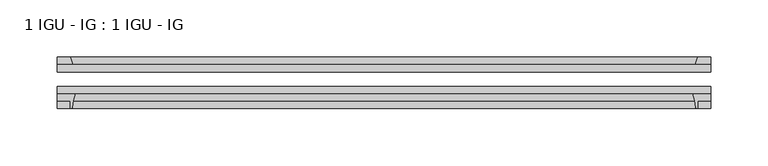
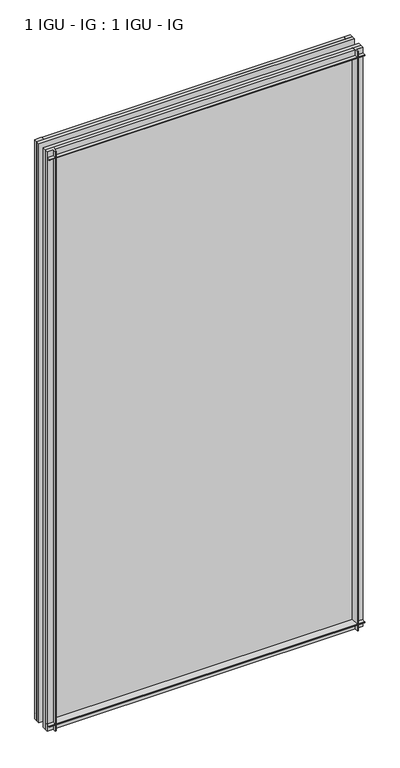
"""IFC4 building model written with IfcOpenShell, lengths in millimetres: plate geometry, 1 IGU - IG : 1 IGU - IG."""

import ifcopenshell
import ifcopenshell.guid

model = None  # the IFC model being written
_history = None  # IfcOwnerHistory: only IFC2X3 demands one
_inside = {}  # id of a spatial element -> (the spatial element, [elements in it])
_under = {}  # id of a project, library or spatial element -> (it, [spatial elements below it])
_declared = {}  # id of a project -> (the project, [libraries it declares])
_typed = {}  # id of a type object -> (the type object, [elements of that type])
_made_of = {}  # id of a material, layer set ... -> (it, [elements and type objects made of it])


def new_model(schema):
    """Start an empty IFC model of exactly this schema.

    Asked for "IFC4X3", IfcOpenShell would pick the latest addendum, in which some entities
    have other attributes; the version numbers below select the first issue.
    IFC2X3 requires an IfcOwnerHistory on every rooted entity: one is made here for all.
    """
    global model, _history
    if schema == "IFC4X3":
        model = ifcopenshell.file(schema_version=(4, 3, 0, 0))
    else:
        model = ifcopenshell.file(schema=schema)
    _inside.clear()
    _under.clear()
    _declared.clear()
    _typed.clear()
    _made_of.clear()
    _history = None
    if model.schema == "IFC2X3":
        org = make("IfcOrganization", Name="unknown")
        user = make(
            "IfcPersonAndOrganization",
            ThePerson=make("IfcPerson", FamilyName="unknown"),
            TheOrganization=org,
        )
        app = make(
            "IfcApplication",
            ApplicationDeveloper=org,
            Version="unknown",
            ApplicationFullName="unknown",
            ApplicationIdentifier="unknown",
        )
        _history = make(
            "IfcOwnerHistory",
            OwningUser=user,
            OwningApplication=app,
            ChangeAction="ADDED",
            CreationDate=0,
        )
    return model


def make(cls, **values):
    """One entity of the class cls with the attributes given. An attribute that is None is left unset."""
    return model.create_entity(
        cls, **{name: value for name, value in values.items() if value is not None}
    )


def rooted(cls, **values):
    """An entity with a GlobalId (a new one), such as an element, a storey or a relation."""
    return make(cls, GlobalId=ifcopenshell.guid.new(), OwnerHistory=_history, **values)


def si_unit(unit_type, name, prefix=None):
    """IfcSIUnit, for example si_unit("LENGTHUNIT", "METRE", prefix="MILLI")."""
    return make("IfcSIUnit", UnitType=unit_type, Prefix=prefix, Name=name)


def assignment(units):
    """IfcUnitAssignment: the units of a project."""
    return None if units is None else make("IfcUnitAssignment", Units=units)


def point(xyz):
    """IfcCartesianPoint."""
    return None if xyz is None else make("IfcCartesianPoint", Coordinates=xyz)


def direction(xyz):
    """IfcDirection."""
    return None if xyz is None else make("IfcDirection", DirectionRatios=xyz)


def frame(location, z_axis=None, x_axis=None):
    """IfcAxis2Placement3D, a coordinate frame: its origin and axes. An axis left out is left unset."""
    return make(
        "IfcAxis2Placement3D",
        Location=point(location),
        Axis=direction(z_axis),
        RefDirection=direction(x_axis),
    )


def frame_2d(location, x_axis=None):
    """IfcAxis2Placement2D, a coordinate frame in the plane: its origin and x axis."""
    return make(
        "IfcAxis2Placement2D", Location=point(location), RefDirection=direction(x_axis)
    )


def origin():
    """The frame at (0, 0, 0) with its axes left unset."""
    return frame((0.0, 0.0, 0.0))


def place(relative_to, where):
    """IfcLocalPlacement: puts the frame where relative to a parent placement (None: the world)."""
    return make(
        "IfcLocalPlacement", PlacementRelTo=relative_to, RelativePlacement=where
    )


def context(
    kind, dimensions, precision=None, world=None, true_north=None, identifier=None
):
    """IfcGeometricRepresentationContext, for example the 3D "Model" context."""
    return make(
        "IfcGeometricRepresentationContext",
        ContextIdentifier=identifier,
        ContextType=kind,
        CoordinateSpaceDimension=dimensions,
        Precision=precision,
        WorldCoordinateSystem=world,
        TrueNorth=true_north,
    )


def project(units=None, contexts=None):
    """IfcProject with its units and contexts."""
    return rooted(
        "IfcProject",
        Name="project",
        RepresentationContexts=contexts,
        UnitsInContext=assignment(units),
    )


def spatial(cls, under=None, at=None, **own):
    """A site, building, storey or space (cls), placed at a placement, below another one or the project."""
    s = rooted(cls, ObjectPlacement=at, **own)
    if under is not None:
        _under.setdefault(under.id(), (under, []))[1].append(s)
    return s


def polyline(points):
    """IfcPolyline through the points."""
    return make("IfcPolyline", Points=[point(p) for p in points])


def circle_curve(where, radius):
    """IfcCircle in the frame where."""
    return make("IfcCircle", Position=where, Radius=radius)


def trimmed(basis, trim1, trim2, sense, master):
    """IfcTrimmedCurve: the piece of a basis curve between two trims."""
    return make(
        "IfcTrimmedCurve",
        BasisCurve=basis,
        Trim1=trim1,
        Trim2=trim2,
        SenseAgreement=sense,
        MasterRepresentation=master,
    )


def segment(curve, same_sense, transition):
    """IfcCompositeCurveSegment."""
    return make(
        "IfcCompositeCurveSegment",
        Transition=transition,
        SameSense=same_sense,
        ParentCurve=curve,
    )


def composite_curve(segments, self_intersect=None):
    """IfcCompositeCurve: segments joined end to end."""
    return make("IfcCompositeCurve", Segments=segments, SelfIntersect=self_intersect)


def outline(outer, holes=None, kind="AREA"):
    """IfcArbitraryClosedProfileDef: a profile drawn as a closed curve; with holes, ...WithVoids."""
    if holes is None:
        return make("IfcArbitraryClosedProfileDef", ProfileType=kind, OuterCurve=outer)
    return make(
        "IfcArbitraryProfileDefWithVoids",
        ProfileType=kind,
        OuterCurve=outer,
        InnerCurves=holes,
    )


def extrude(swept, where, along, depth):
    """IfcExtrudedAreaSolid: the profile swept, set in the frame where, extruded along a direction by depth."""
    return make(
        "IfcExtrudedAreaSolid",
        SweptArea=swept,
        Position=where,
        ExtrudedDirection=direction(along),
        Depth=depth,
    )


def shape(context_of_items, identifier, shape_type, items):
    """IfcShapeRepresentation: the items that make up one representation, for example the "Body"."""
    return make(
        "IfcShapeRepresentation",
        ContextOfItems=context_of_items,
        RepresentationIdentifier=identifier,
        RepresentationType=shape_type,
        Items=items,
    )


def source(mapping_origin, context_of_items, identifier, shape_type, items):
    """IfcRepresentationMap: a shape defined once, which mapped items show again and again."""
    return make(
        "IfcRepresentationMap",
        MappingOrigin=mapping_origin,
        MappedRepresentation=shape(context_of_items, identifier, shape_type, items),
    )


def transform(
    local_origin,
    x_axis=None,
    y_axis=None,
    z_axis=None,
    scale=None,
    scale2=None,
    scale3=None,
    uniform=True,
):
    """IfcCartesianTransformationOperator3D, or its non-uniform kind. x_axis, y_axis, z_axis: its Axis1, 2, 3."""
    if uniform:
        return make(
            "IfcCartesianTransformationOperator3D",
            Axis1=direction(x_axis),
            Axis2=direction(y_axis),
            LocalOrigin=point(local_origin),
            Scale=scale,
            Axis3=direction(z_axis),
        )
    return make(
        "IfcCartesianTransformationOperator3DnonUniform",
        Axis1=direction(x_axis),
        Axis2=direction(y_axis),
        LocalOrigin=point(local_origin),
        Scale=scale,
        Axis3=direction(z_axis),
        Scale2=scale2,
        Scale3=scale3,
    )


def mapped(mapping_source, mapping_target):
    """IfcMappedItem: shows the shape of a source again, moved by a transform."""
    return make(
        "IfcMappedItem", MappingSource=mapping_source, MappingTarget=mapping_target
    )


def made_of(thing, what):
    """Note that an element or type object is made of a material, layer set ...; save() writes the relation."""
    if what is not None:
        _made_of.setdefault(what.id(), (what, []))[1].append(thing)
    return thing


def element(
    cls,
    number,
    at=None,
    inside=None,
    cuts=None,
    type_object=None,
    material=None,
    context=None,
    identifier="Body",
    shape_type=None,
    held_by="IfcProductDefinitionShape",
    body=None,
    shapes=None,
    **own,
):
    """One element of the class cls, such as IfcWall. Its Tag is "e" and its number.

    at: its placement. inside: the storey or other place that contains it. cuts: it is an
    opening in that element (IfcRelVoidsElement). A single representation is given by context,
    identifier, shape_type and body (its items); several are given by shapes. held_by: the class
    of the entity that holds the representations. save() writes the other relations.
    """
    e = rooted(cls, Tag="e%d" % number, ObjectPlacement=at, **own)
    if body is not None:
        shapes = [shape(context, identifier, shape_type, body)]
    if shapes is not None:
        e.Representation = make(held_by, Representations=shapes)
    if inside is not None:
        _inside.setdefault(inside.id(), (inside, []))[1].append(e)
    if cuts is not None:
        rooted(
            "IfcRelVoidsElement", RelatingBuildingElement=cuts, RelatedOpeningElement=e
        )
    if type_object is not None:
        _typed.setdefault(type_object.id(), (type_object, []))[1].append(e)
    return made_of(e, material)


def aggregate(whole, parts):
    """IfcRelAggregates: a whole, such as a stair, and the parts it consists of."""
    return rooted("IfcRelAggregates", RelatingObject=whole, RelatedObjects=parts)


def save(model, path):
    """Write the relations noted so far, then the file.

    IfcRelAggregates (storeys below a building ...), IfcRelContainedInSpatialStructure (elements
    in a storey), IfcRelDefinesByType, IfcRelAssociatesMaterial and IfcRelDeclares: one each for
    every whole, place, type object, material and project.
    """
    for whole, parts in _under.values():
        aggregate(whole, parts)
    for where, things in _inside.values():
        rooted(
            "IfcRelContainedInSpatialStructure",
            RelatedElements=things,
            RelatingStructure=where,
        )
    for kind, things in _typed.values():
        rooted("IfcRelDefinesByType", RelatedObjects=things, RelatingType=kind)
    for what, things in _made_of.values():
        rooted("IfcRelAssociatesMaterial", RelatedObjects=things, RelatingMaterial=what)
    for by, libraries in _declared.values():
        rooted("IfcRelDeclares", RelatingContext=by, RelatedDefinitions=libraries)
    model.write(path)


def plate_1_igu_ig_1_igu_ig_ae93ad29(model_context):
    return source(origin(), model_context, "Body", "SweptSolid", [
        extrude(outline(polyline([(284.1625, -31.75), (284.1625, -38.1), (-284.1625, -38.1), (-284.1625, -31.75), (284.1625, -31.75)])), frame((0.0, 0.0, -11.1125), z_axis=(0.0, 0.0, 1.0), x_axis=(1.0, 0.0, 0.0)), (0.0, 0.0, 1.0), 1101.7245636),
        extrude(outline(polyline([(-284.1625, -12.7), (284.1625, -12.7), (284.1625, -19.05), (-284.1625, -19.05), (-284.1625, -12.7)])), frame((0.0, 0.0, -11.1125), z_axis=(0.0, 0.0, 1.0), x_axis=(1.0, 0.0, 0.0)), (0.0, 0.0, 1.0), 1101.7245636),
        extrude(outline(composite_curve([segment(polyline([(-284.1625, -38.1), (-268.8688207, -38.1)]), True, "CONTINUOUS"), segment(trimmed(circle_curve(frame_2d((-225.6098044, -53.3794536)), 45.8781451), [point((-268.8688207, -38.1))], [point((-271.3700572, -50.0925922))], True, "CARTESIAN"), True, "CONTINUOUS"), segment(trimmed(circle_curve(frame_2d((-272.1300991, -50.038)), 0.762), [point((-271.3700572, -50.0925922))], [point((-272.1300991, -50.8))], False, "CARTESIAN"), True, "CONTINUOUS"), segment(polyline([(-272.1300991, -50.8), (-273.05, -50.8), (-273.05, -44.45), (-284.1625, -44.45), (-284.1625, -38.1)]), True, "CONTINUOUS")], self_intersect=False)), frame((0.0, 0.0, -11.1125), z_axis=(0.0, 0.0, 1.0), x_axis=(1.0, 0.0, 0.0)), (0.0, 0.0, 1.0), 1101.7245636),
        extrude(outline(polyline([(-270.9447229, -12.7), (-284.1625, -12.7), (-284.1625, -6.35), (-273.05, -6.35), (-270.9447229, -12.7)])), frame((0.0, 0.0, -11.1125), z_axis=(0.0, 0.0, 1.0), x_axis=(1.0, 0.0, 0.0)), (0.0, 0.0, 1.0), 1101.7245636),
        extrude(outline(polyline([(284.1625, -12.7), (270.9447229, -12.7), (273.05, -6.35), (284.1625, -6.35), (284.1625, -12.7)])), frame((0.0, 0.0, -11.1125), z_axis=(0.0, 0.0, 1.0), x_axis=(1.0, 0.0, 0.0)), (0.0, 0.0, 1.0), 1101.7245636),
        extrude(outline(composite_curve([segment(polyline([(268.8688207, -38.1), (284.1625, -38.1), (284.1625, -44.45), (273.05, -44.45), (273.05, -50.8), (272.1300991, -50.8)]), True, "CONTINUOUS"), segment(trimmed(circle_curve(frame_2d((272.1300991, -50.038)), 0.762), [point((272.1300991, -50.8))], [point((271.3700572, -50.0925922))], False, "CARTESIAN"), True, "CONTINUOUS"), segment(trimmed(circle_curve(frame_2d((225.6098044, -53.3794536)), 45.8781451), [point((271.3700572, -50.0925922))], [point((268.8688207, -38.1))], True, "CARTESIAN"), True, "CONTINUOUS")], self_intersect=False)), frame((0.0, 0.0, -11.1125), z_axis=(0.0, 0.0, 1.0), x_axis=(1.0, 0.0, 0.0)), (0.0, 0.0, 1.0), 1101.7245636),
        extrude(outline(polyline([(-12.7, -11.1125), (-12.7, 2.1052771), (-6.35, 0.0), (-6.35, -11.1125), (-12.7, -11.1125)])), frame((-284.1625, 0.0, 0.0), z_axis=(1.0, 0.0, 0.0), x_axis=(0.0, 1.0, 0.0)), (0.0, 0.0, 1.0), 568.325),
        extrude(outline(composite_curve([segment(polyline([(-38.1, 4.1811793), (-38.1, -11.1125), (-44.45, -11.1125), (-44.45, 0.0), (-50.8, 0.0), (-50.8, 0.9199009)]), True, "CONTINUOUS"), segment(trimmed(circle_curve(frame_2d((-50.038, 0.9199009)), 0.762), [point((-50.8, 0.9199009))], [point((-50.0925922, 1.6799428))], False, "CARTESIAN"), True, "CONTINUOUS"), segment(trimmed(circle_curve(frame_2d((-53.3794536, 47.4401956)), 45.8781451), [point((-50.0925922, 1.6799428))], [point((-38.1, 4.1811793))], True, "CARTESIAN"), True, "CONTINUOUS")], self_intersect=False)), frame((-284.1625, 0.0, 0.0), z_axis=(1.0, 0.0, 0.0), x_axis=(0.0, 1.0, 0.0)), (0.0, 0.0, 1.0), 568.325),
        extrude(outline(polyline([(-6.35, 1079.4995636), (-12.7, 1077.3942865), (-12.7, 1090.6120636), (-6.35, 1090.6120636), (-6.35, 1079.4995636)])), frame((-284.1625, 0.0, 0.0), z_axis=(1.0, 0.0, 0.0), x_axis=(0.0, 1.0, 0.0)), (0.0, 0.0, 1.0), 568.325),
        extrude(outline(composite_curve([segment(polyline([(-38.1, 1090.6120636), (-38.1, 1075.3183843)]), True, "CONTINUOUS"), segment(trimmed(circle_curve(frame_2d((-53.3794536, 1032.059368)), 45.8781451), [point((-38.1, 1075.3183843))], [point((-50.0925922, 1077.8196208))], True, "CARTESIAN"), True, "CONTINUOUS"), segment(trimmed(circle_curve(frame_2d((-50.038, 1078.5796627)), 0.762), [point((-50.0925922, 1077.8196208))], [point((-50.8, 1078.5796627))], False, "CARTESIAN"), True, "CONTINUOUS"), segment(polyline([(-50.8, 1078.5796627), (-50.8, 1079.4995636), (-44.45, 1079.4995636), (-44.45, 1090.6120636), (-38.1, 1090.6120636)]), True, "CONTINUOUS")], self_intersect=False)), frame((-284.1625, 0.0, 0.0), z_axis=(1.0, 0.0, 0.0), x_axis=(0.0, 1.0, 0.0)), (0.0, 0.0, 1.0), 568.325),
    ])


if __name__ == "__main__":
    model = new_model("IFC4")
    model_context = context("Model", 3, world=origin())
    ifc_project = project(units=[si_unit("LENGTHUNIT", "METRE", prefix="MILLI")], contexts=[model_context])
    site = spatial("IfcSite", under=ifc_project)
    building = spatial("IfcBuilding", under=site)
    placement = place(None, origin())
    plate_1_igu_ig_1_igu_ig_shape = plate_1_igu_ig_1_igu_ig_ae93ad29(model_context)
    element("IfcPlate", 1, ObjectType="1 IGU - IG : 1 IGU - IG", at=placement, inside=building, context=model_context, shape_type="MappedRepresentation", body=[
        mapped(plate_1_igu_ig_1_igu_ig_shape, transform((0.0, 0.0, 0.0), x_axis=(1.0, 0.0, 0.0), y_axis=(0.0, 1.0, 0.0), z_axis=(0.0, 0.0, 1.0))),
    ])
    save(model, "model.ifc")
